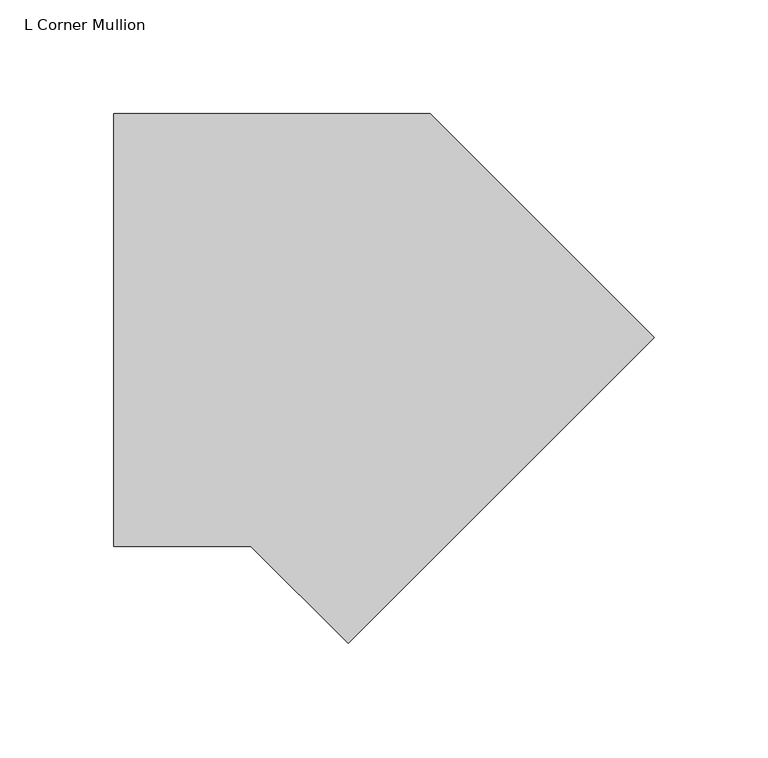
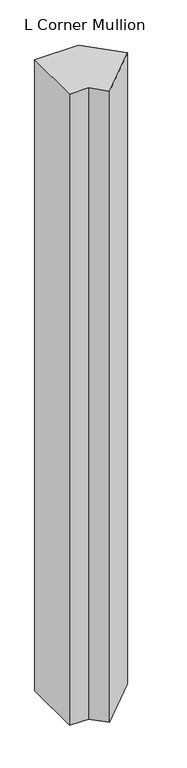
"""IFC4 building model written with IfcOpenShell, lengths in millimetres: member geometry, L Corner Mullion."""

from ifc_helpers import new_model, si_unit, frame, origin, place, context, project, spatial, polyline, outline, extrude, source, transform, mapped, element, save


def l_corner_mullion_439ae8b8(model_context):
    return source(origin(), model_context, "Body", "SweptSolid", [
        extrude(outline(polyline([(26.8995846, -80.7811214), (-15.7815367, -38.1), (-76.1417574, -38.1), (-76.1417574, 152.4), (63.1261469, 152.4), (161.6034264, 53.9227205), (26.8995846, -80.7811214)])), frame((0.0, 0.0, -2113.59299), z_axis=(0.0, 0.0, 1.0), x_axis=(1.0, 0.0, 0.0)), (0.0, 0.0, 1.0), 2113.59299),
    ])


if __name__ == "__main__":
    model = new_model("IFC4")
    model_context = context("Model", 3, world=origin())
    ifc_project = project(units=[si_unit("LENGTHUNIT", "METRE", prefix="MILLI")], contexts=[model_context])
    site = spatial("IfcSite", under=ifc_project)
    building = spatial("IfcBuilding", under=site)
    placement = place(None, origin())
    l_corner_mullion_shape = l_corner_mullion_439ae8b8(model_context)
    element("IfcMember", 1, ObjectType="L Corner Mullion", at=placement, inside=building, context=model_context, shape_type="MappedRepresentation", body=[
        mapped(l_corner_mullion_shape, transform((0.0, 0.0, 0.0), x_axis=(1.0, 0.0, 0.0), y_axis=(0.0, 1.0, 0.0), z_axis=(0.0, 0.0, 1.0))),
    ])
    save(model, "model.ifc")
